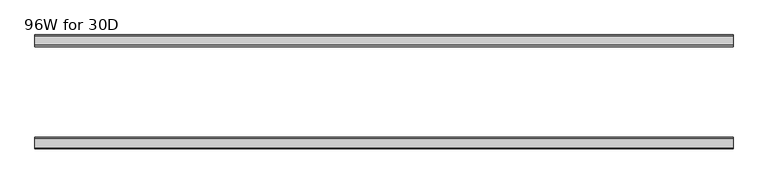
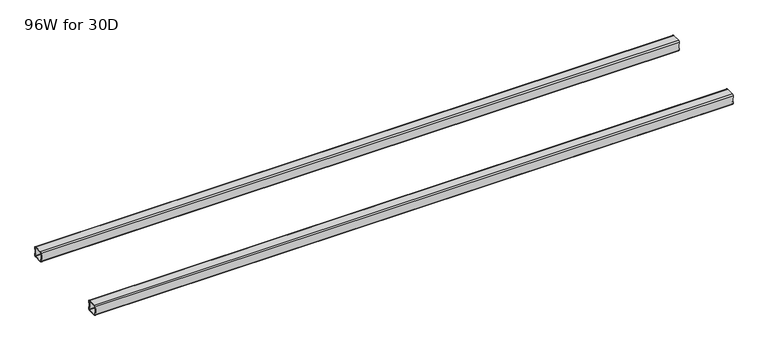
"""IFC4 building model written with IfcOpenShell, lengths in millimetres: furniture geometry, 96W for 30D."""

from ifc_helpers import new_model, si_unit, frame, origin, place, context, project, spatial, polyline, circle_curve, source, transform, mapped, element, save
from ifc_brep_helpers import plane_surface, cylinder_surface, revolved_surface, advanced_brep


def furniture_96w_for_30d_375db766(model_context):
    return source(origin(), model_context, "Body", "AdvancedBrep", [
        advanced_brep(
        [(2413.4028, -507.012, 653.351), (2413.4028, -509.012, 651.351), (2413.4028, -541.012, 651.351), (2413.4028, -543.012, 653.351), (2413.4028, -543.012, 660.851), (2413.4028, -545.012, 660.851), (2413.4028, -545.012, 653.351), (2413.4028, -541.012, 649.351), (2413.4028, -509.012, 649.351), (2413.4028, -505.012, 653.351), (2413.4028, -505.012, 660.851), (2413.4028, -507.012, 660.851), (2413.4028, -543.012, 684.975), (2413.4028, -541.012, 686.975), (2413.4028, -509.012, 686.975), (2413.4028, -507.012, 684.975), (2413.4028, -507.012, 677.475), (2413.4028, -505.012, 677.475), (2413.4028, -505.012, 684.975), (2413.4028, -509.012, 688.975), (2413.4028, -541.012, 688.975), (2413.4028, -545.012, 684.975), (2413.4028, -545.012, 677.475), (2413.4028, -543.012, 677.475), (22.0, -507.012, 684.975), (22.0, -509.012, 686.975), (22.0, -541.012, 686.975), (22.0, -543.012, 684.975), (22.0, -543.012, 677.475), (22.0, -545.012, 677.475), (22.0, -545.012, 684.975), (22.0, -541.012, 688.975), (22.0, -509.012, 688.975), (22.0, -505.012, 684.975), (22.0, -505.012, 677.475), (22.0, -507.012, 677.475), (22.0, -543.012, 653.351), (22.0, -541.012, 651.351), (22.0, -509.012, 651.351), (22.0, -507.012, 653.351), (22.0, -507.012, 660.851), (22.0, -505.012, 660.851), (22.0, -505.012, 653.351), (22.0, -509.012, 649.351), (22.0, -541.012, 649.351), (22.0, -545.012, 653.351), (22.0, -545.012, 660.851), (22.0, -543.012, 660.851), (23.365, -543.012, 660.851), (24.0, -543.012, 661.486), (24.0, -543.012, 676.84), (23.365, -543.012, 677.475), (2412.0378, -543.012, 677.475), (2411.4028, -543.012, 676.84), (2411.4028, -543.012, 661.486), (2412.0378, -543.012, 660.851), (2412.0378, -507.012, 660.851), (2411.4028, -507.012, 661.486), (2411.4028, -507.012, 676.84), (2412.0378, -507.012, 677.475), (23.365, -507.012, 677.475), (24.0, -507.012, 676.84), (24.0, -507.012, 661.486), (23.365, -507.012, 660.851), (23.365, -545.012, 677.475), (24.0, -545.012, 676.84), (24.0, -545.012, 661.486), (23.365, -545.012, 660.851), (2412.0378, -545.012, 660.851), (2411.4028, -545.012, 661.486), (2411.4028, -545.012, 676.84), (2412.0378, -545.012, 677.475), (2412.0378, -505.012, 677.475), (2411.4028, -505.012, 676.84), (2411.4028, -505.012, 661.486), (2412.0378, -505.012, 660.851), (23.365, -505.012, 660.851), (24.0, -505.012, 661.486), (24.0, -505.012, 676.84), (23.365, -505.012, 677.475)],
        [
            (0, 1, circle_curve(frame((2413.4028, -509.012, 653.351), z_axis=(-1.0, 0.0, 0.0), x_axis=(0.0, 1.0, 0.0)), 2.0)),
            (1, 2),
            (2, 3, circle_curve(frame((2413.4028, -541.012, 653.351), z_axis=(-1.0, 0.0, 0.0), x_axis=(0.0, 1.0, 0.0)), 2.0)),
            (3, 4),
            (4, 5),
            (5, 6),
            (6, 7, circle_curve(frame((2413.4028, -541.012, 653.351), z_axis=(1.0, 0.0, 0.0), x_axis=(0.0, 1.0, 0.0)), 4.0)),
            (7, 8),
            (8, 9, circle_curve(frame((2413.4028, -509.012, 653.351), z_axis=(1.0, 0.0, 0.0), x_axis=(0.0, 1.0, 0.0)), 4.0)),
            (9, 10),
            (10, 11),
            (11, 0),
            (12, 13, circle_curve(frame((2413.4028, -541.012, 684.975), z_axis=(-1.0, 0.0, 0.0), x_axis=(0.0, 1.0, 0.0)), 2.0)),
            (13, 14),
            (14, 15, circle_curve(frame((2413.4028, -509.012, 684.975), z_axis=(-1.0, 0.0, 0.0), x_axis=(0.0, 1.0, 0.0)), 2.0)),
            (15, 16),
            (16, 17),
            (17, 18),
            (18, 19, circle_curve(frame((2413.4028, -509.012, 684.975), z_axis=(1.0, 0.0, 0.0), x_axis=(0.0, 1.0, 0.0)), 4.0)),
            (19, 20),
            (20, 21, circle_curve(frame((2413.4028, -541.012, 684.975), z_axis=(1.0, 0.0, 0.0), x_axis=(0.0, 1.0, 0.0)), 4.0)),
            (21, 22),
            (22, 23),
            (23, 12),
            (24, 25, circle_curve(frame((22.0, -509.012, 684.975), z_axis=(1.0, 0.0, 0.0), x_axis=(0.0, 1.0, 0.0)), 2.0)),
            (25, 26),
            (26, 27, circle_curve(frame((22.0, -541.012, 684.975), z_axis=(1.0, 0.0, 0.0), x_axis=(0.0, 1.0, 0.0)), 2.0)),
            (27, 28),
            (28, 29),
            (29, 30),
            (30, 31, circle_curve(frame((22.0, -541.012, 684.975), z_axis=(-1.0, 0.0, 0.0), x_axis=(0.0, 1.0, 0.0)), 4.0)),
            (31, 32),
            (32, 33, circle_curve(frame((22.0, -509.012, 684.975), z_axis=(-1.0, 0.0, 0.0), x_axis=(0.0, 1.0, 0.0)), 4.0)),
            (33, 34),
            (34, 35),
            (35, 24),
            (36, 37, circle_curve(frame((22.0, -541.012, 653.351), z_axis=(1.0, 0.0, 0.0), x_axis=(0.0, 1.0, 0.0)), 2.0)),
            (37, 38),
            (38, 39, circle_curve(frame((22.0, -509.012, 653.351), z_axis=(1.0, 0.0, 0.0), x_axis=(0.0, 1.0, 0.0)), 2.0)),
            (39, 40),
            (40, 41),
            (41, 42),
            (42, 43, circle_curve(frame((22.0, -509.012, 653.351), z_axis=(-1.0, 0.0, 0.0), x_axis=(0.0, 1.0, 0.0)), 4.0)),
            (43, 44),
            (44, 45, circle_curve(frame((22.0, -541.012, 653.351), z_axis=(-1.0, 0.0, 0.0), x_axis=(0.0, 1.0, 0.0)), 4.0)),
            (45, 46),
            (46, 47),
            (47, 36),
            (0, 39),
            (38, 1),
            (37, 2),
            (36, 3),
            (47, 48),
            (48, 49, circle_curve(frame((23.365, -543.012, 661.486), z_axis=(0.0, -1.0, 0.0), x_axis=(1.0, 0.0, 0.0)), 0.635)),
            (49, 50),
            (50, 51, circle_curve(frame((23.365, -543.012, 676.84), z_axis=(0.0, -1.0, 0.0), x_axis=(1.0, 0.0, 0.0)), 0.635)),
            (51, 28),
            (27, 12),
            (23, 52),
            (52, 53, circle_curve(frame((2412.0378, -543.012, 676.84), z_axis=(0.0, -1.0, 0.0), x_axis=(1.0, 0.0, 0.0)), 0.635)),
            (53, 54),
            (54, 55, circle_curve(frame((2412.0378, -543.012, 661.486), z_axis=(0.0, -1.0, 0.0), x_axis=(1.0, 0.0, 0.0)), 0.635)),
            (55, 4),
            (26, 13),
            (25, 14),
            (24, 15),
            (11, 56),
            (56, 57, circle_curve(frame((2412.0378, -507.012, 661.486), z_axis=(0.0, 1.0, 0.0), x_axis=(1.0, 0.0, 0.0)), 0.635)),
            (57, 58),
            (58, 59, circle_curve(frame((2412.0378, -507.012, 676.84), z_axis=(0.0, 1.0, 0.0), x_axis=(1.0, 0.0, 0.0)), 0.635)),
            (59, 16),
            (35, 60),
            (60, 61, circle_curve(frame((23.365, -507.012, 676.84), z_axis=(0.0, 1.0, 0.0), x_axis=(1.0, 0.0, 0.0)), 0.635)),
            (61, 62),
            (62, 63, circle_curve(frame((23.365, -507.012, 661.486), z_axis=(0.0, 1.0, 0.0), x_axis=(1.0, 0.0, 0.0)), 0.635)),
            (63, 40),
            (18, 33),
            (32, 19),
            (31, 20),
            (30, 21),
            (29, 64),
            (64, 65, circle_curve(frame((23.365, -545.012, 676.84), z_axis=(0.0, 1.0, 0.0), x_axis=(1.0, 0.0, 0.0)), 0.635)),
            (65, 66),
            (66, 67, circle_curve(frame((23.365, -545.012, 661.486), z_axis=(0.0, 1.0, 0.0), x_axis=(1.0, 0.0, 0.0)), 0.635)),
            (67, 46),
            (45, 6),
            (5, 68),
            (68, 69, circle_curve(frame((2412.0378, -545.012, 661.486), z_axis=(0.0, 1.0, 0.0), x_axis=(1.0, 0.0, 0.0)), 0.635)),
            (69, 70),
            (70, 71, circle_curve(frame((2412.0378, -545.012, 676.84), z_axis=(0.0, 1.0, 0.0), x_axis=(1.0, 0.0, 0.0)), 0.635)),
            (71, 22),
            (44, 7),
            (43, 8),
            (42, 9),
            (17, 72),
            (72, 73, circle_curve(frame((2412.0378, -505.012, 676.84), z_axis=(0.0, -1.0, 0.0), x_axis=(1.0, 0.0, 0.0)), 0.635)),
            (73, 74),
            (74, 75, circle_curve(frame((2412.0378, -505.012, 661.486), z_axis=(0.0, -1.0, 0.0), x_axis=(1.0, 0.0, 0.0)), 0.635)),
            (75, 10),
            (41, 76),
            (76, 77, circle_curve(frame((23.365, -505.012, 661.486), z_axis=(0.0, -1.0, 0.0), x_axis=(1.0, 0.0, 0.0)), 0.635)),
            (77, 78),
            (78, 79, circle_curve(frame((23.365, -505.012, 676.84), z_axis=(0.0, -1.0, 0.0), x_axis=(1.0, 0.0, 0.0)), 0.635)),
            (79, 34),
            (71, 52),
            (59, 72),
            (70, 53),
            (58, 73),
            (69, 54),
            (57, 74),
            (68, 55),
            (56, 75),
            (51, 64),
            (79, 60),
            (67, 48),
            (63, 76),
            (66, 49),
            (62, 77),
            (65, 50),
            (61, 78),
        ],
        [
            plane_surface(frame((2413.4028, -507.012, 653.351), z_axis=(1.0, 0.0, 0.0), x_axis=(0.0, 0.0, -1.0))),
            plane_surface(frame((22.0, -507.012, 653.351), z_axis=(-1.0, 0.0, 0.0), x_axis=(0.0, 0.0, 1.0))),
            revolved_surface(polyline([(22.0, -507.012, 653.351), (2413.4028, -507.012, 653.351)]), (22.0, -509.012, 653.351), (-1.0, 0.0, 0.0)),
            plane_surface(frame((2413.4028, -509.012, 651.351), z_axis=(0.0, -5.198608210600595e-12, 1.0), x_axis=(-1.0, 0.0, 0.0))),
            revolved_surface(polyline([(22.0, -539.012, 653.351), (2413.4028, -539.012, 653.351)]), (22.0, -541.012, 653.351), (-1.0, 0.0, 0.0)),
            plane_surface(frame((2413.4028, -543.012, 653.351), z_axis=(0.0, 1.0, 0.0), x_axis=(-1.0, 0.0, 0.0))),
            revolved_surface(polyline([(22.0, -539.012, 684.975), (2413.4028, -539.012, 684.975)]), (22.0, -541.012, 684.975), (-1.0, 0.0, 0.0)),
            plane_surface(frame((2413.4028, -541.012, 686.975), z_axis=(0.0, 0.0, -1.0), x_axis=(-1.0, 0.0, 0.0))),
            revolved_surface(polyline([(22.0, -507.012, 684.975), (2413.4028, -507.012, 684.975)]), (22.0, -509.012, 684.975), (-1.0, 0.0, 0.0)),
            plane_surface(frame((2413.4028, -507.012, 684.975), z_axis=(0.0, -1.0, 0.0), x_axis=(-1.0, 0.0, 0.0))),
            cylinder_surface(frame((0.0, -509.012, 684.975), z_axis=(1.0, 0.0, 0.0), x_axis=(0.0, 1.0, 0.0)), 4.0),
            plane_surface(frame((2413.4028, -509.012, 688.975), z_axis=(0.0, 0.0, 1.0), x_axis=(-1.0, 0.0, 0.0))),
            cylinder_surface(frame((0.0, -541.012, 684.975), z_axis=(1.0, 0.0, 0.0), x_axis=(0.0, 1.0, 0.0)), 4.0),
            plane_surface(frame((2413.4028, -545.012, 684.975), z_axis=(0.0, -1.0, 0.0), x_axis=(-1.0, 0.0, 0.0))),
            cylinder_surface(frame((0.0, -541.012, 653.351), z_axis=(1.0, 0.0, 0.0), x_axis=(0.0, 1.0, 0.0)), 4.0),
            plane_surface(frame((2413.4028, -541.012, 649.351), z_axis=(0.0, 0.0, -1.0), x_axis=(-1.0, 0.0, 0.0))),
            cylinder_surface(frame((0.0, -509.012, 653.351), z_axis=(1.0, 0.0, 0.0), x_axis=(0.0, 1.0, 0.0)), 4.0),
            plane_surface(frame((2413.4028, -505.012, 653.351), z_axis=(0.0, 1.0, -5.2518576384018155e-12), x_axis=(-1.0, 0.0, 0.0))),
            plane_surface(frame((2413.4028, -545.012, 677.475), z_axis=(1.130465684452016e-11, 0.0, -1.0), x_axis=(0.0, 1.0, 0.0))),
            revolved_surface(polyline([(2412.6728000000003, -545.012, 676.84), (2412.6728000000003, -543.012, 676.84)]), (2412.0378, -505.012, 676.84), (0.0, -1.0, 0.0)),
            revolved_surface(polyline([(2412.6728000000003, -507.012, 676.84), (2412.6728000000003, -505.012, 676.84)]), (2412.0378, -505.012, 676.84), (0.0, -1.0, 0.0)),
            plane_surface(frame((2411.4028, -545.012, 676.84), z_axis=(1.0, 0.0, 0.0), x_axis=(0.0, 1.0, 0.0))),
            revolved_surface(polyline([(2412.6728000000003, -545.012, 661.486), (2412.6728000000003, -543.012, 661.486)]), (2412.0378, -505.012, 661.486), (0.0, -1.0, 0.0)),
            revolved_surface(polyline([(2412.6728000000003, -507.012, 661.486), (2412.6728000000003, -505.012, 661.486)]), (2412.0378, -505.012, 661.486), (0.0, -1.0, 0.0)),
            plane_surface(frame((2412.0378, -545.012, 660.851), z_axis=(0.0, 0.0, 1.0), x_axis=(0.0, 1.0, 0.0))),
            plane_surface(frame((23.365, -545.012, 677.475), z_axis=(0.0, 0.0, -1.0), x_axis=(0.0, 1.0, 0.0))),
            plane_surface(frame((22.0, -545.012, 660.851), z_axis=(-1.1502984157403295e-11, 0.0, 1.0), x_axis=(0.0, 1.0, 0.0))),
            revolved_surface(polyline([(24.0, -545.012, 661.486), (24.0, -543.012, 661.486)]), (23.365, -505.012, 661.486), (0.0, -1.0, 0.0)),
            revolved_surface(polyline([(24.0, -507.012, 661.486), (24.0, -505.012, 661.486)]), (23.365, -505.012, 661.486), (0.0, -1.0, 0.0)),
            plane_surface(frame((24.0, -545.012, 661.486), z_axis=(-1.0, 0.0, 0.0), x_axis=(0.0, 1.0, 0.0))),
            revolved_surface(polyline([(24.0, -545.012, 676.84), (24.0, -543.012, 676.84)]), (23.365, -505.012, 676.84), (0.0, -1.0, 0.0)),
            revolved_surface(polyline([(24.0, -507.012, 676.84), (24.0, -505.012, 676.84)]), (23.365, -505.012, 676.84), (0.0, -1.0, 0.0)),
        ],
        [
            (0, [[1, 2, 3, 4, 5, 6, 7, 8, 9, 10, 11, 12]]),
            (0, [[13, 14, 15, 16, 17, 18, 19, 20, 21, 22, 23, 24]]),
            (1, [[25, 26, 27, 28, 29, 30, 31, 32, 33, 34, 35, 36]]),
            (1, [[37, 38, 39, 40, 41, 42, 43, 44, 45, 46, 47, 48]]),
            (2, [[-1, 49, -39, 50]]),
            (3, [[-2, -50, -38, 51]]),
            (4, [[-3, -51, -37, 52]]),
            (5, [[-52, -48, 53, 54, 55, 56, 57, -28, 58, -24, 59, 60, 61, 62, 63, -4]]),
            (6, [[-13, -58, -27, 64]]),
            (7, [[-14, -64, -26, 65]]),
            (8, [[-15, -65, -25, 66]]),
            (9, [[-49, -12, 67, 68, 69, 70, 71, -16, -66, -36, 72, 73, 74, 75, 76, -40]]),
            (10, [[-19, 77, -33, 78]]),
            (11, [[-20, -78, -32, 79]]),
            (12, [[-21, -79, -31, 80]]),
            (13, [[-80, -30, 81, 82, 83, 84, 85, -46, 86, -6, 87, 88, 89, 90, 91, -22]]),
            (14, [[-7, -86, -45, 92]]),
            (15, [[-8, -92, -44, 93]]),
            (16, [[-9, -93, -43, 94]]),
            (17, [[-77, -18, 95, 96, 97, 98, 99, -10, -94, -42, 100, 101, 102, 103, 104, -34]]),
            (18, [[105, -59, -23, -91]]),
            (18, [[106, -95, -17, -71]]),
            (19, [[-105, -90, 107, -60]]),
            (20, [[-106, -70, 108, -96]]),
            (21, [[-107, -89, 109, -61]]),
            (21, [[-108, -69, 110, -97]]),
            (22, [[-109, -88, 111, -62]]),
            (23, [[-110, -68, 112, -98]]),
            (24, [[-111, -87, -5, -63]]),
            (24, [[-112, -67, -11, -99]]),
            (25, [[113, -81, -29, -57]]),
            (25, [[114, -72, -35, -104]]),
            (26, [[115, -53, -47, -85]]),
            (26, [[116, -100, -41, -76]]),
            (27, [[-115, -84, 117, -54]]),
            (28, [[-116, -75, 118, -101]]),
            (29, [[-117, -83, 119, -55]]),
            (29, [[-118, -74, 120, -102]]),
            (30, [[-113, -56, -119, -82]]),
            (31, [[-114, -103, -120, -73]]),
        ],
    ),
        advanced_brep(
        [(2413.4028, -192.9996202, 684.975), (2413.4028, -190.9996202, 686.975), (2413.4028, -159.0003798, 686.975), (2413.4028, -157.0003798, 684.975), (2413.4028, -157.0003798, 677.475), (2413.4028, -155.0003798, 677.475), (2413.4028, -155.0003798, 684.975), (2413.4028, -159.0003798, 688.975), (2413.4028, -190.9996202, 688.975), (2413.4028, -194.9996202, 684.975), (2413.4028, -194.9996202, 677.475), (2413.4028, -192.9996202, 677.475), (2413.4028, -157.0003798, 653.351), (2413.4028, -159.0003798, 651.351), (2413.4028, -190.9996202, 651.351), (2413.4028, -192.9996202, 653.351), (2413.4028, -192.9996202, 660.851), (2413.4028, -194.9996202, 660.851), (2413.4028, -194.9996202, 653.351), (2413.4028, -190.9996202, 649.351), (2413.4028, -159.0003798, 649.351), (2413.4028, -155.0003798, 653.351), (2413.4028, -155.0003798, 660.851), (2413.4028, -157.0003798, 660.851), (22.0, -192.9996202, 653.351), (22.0, -190.9996202, 651.351), (22.0, -159.0003798, 651.351), (22.0, -157.0003798, 653.351), (22.0, -157.0003798, 660.851), (22.0, -155.0003798, 660.851), (22.0, -155.0003798, 653.351), (22.0, -159.0003798, 649.351), (22.0, -190.9996202, 649.351), (22.0, -194.9996202, 653.351), (22.0, -194.9996202, 660.851), (22.0, -192.9996202, 660.851), (22.0, -157.0003798, 684.975), (22.0, -159.0003798, 686.975), (22.0, -190.9996202, 686.975), (22.0, -192.9996202, 684.975), (22.0, -192.9996202, 677.475), (22.0, -194.9996202, 677.475), (22.0, -194.9996202, 684.975), (22.0, -190.9996202, 688.975), (22.0, -159.0003798, 688.975), (22.0, -155.0003798, 684.975), (22.0, -155.0003798, 677.475), (22.0, -157.0003798, 677.475), (2412.0378, -157.0003798, 660.851), (2411.4028, -157.0003798, 661.486), (2411.4028, -157.0003798, 676.84), (2412.0378, -157.0003798, 677.475), (23.365, -157.0003798, 677.475), (24.0, -157.0003798, 676.84), (24.0, -157.0003798, 661.486), (23.365, -157.0003798, 660.851), (23.365, -192.9996202, 660.851), (24.0, -192.9996202, 661.486), (24.0, -192.9996202, 676.84), (23.365, -192.9996202, 677.475), (2412.0378, -192.9996202, 677.475), (2411.4028, -192.9996202, 676.84), (2411.4028, -192.9996202, 661.486), (2412.0378, -192.9996202, 660.851), (2412.0378, -155.0003798, 677.475), (2411.4028, -155.0003798, 676.84), (2411.4028, -155.0003798, 661.486), (2412.0378, -155.0003798, 660.851), (23.365, -155.0003798, 660.851), (24.0, -155.0003798, 661.486), (24.0, -155.0003798, 676.84), (23.365, -155.0003798, 677.475), (23.365, -194.9996202, 677.475), (24.0, -194.9996202, 676.84), (24.0, -194.9996202, 661.486), (23.365, -194.9996202, 660.851), (2412.0378, -194.9996202, 660.851), (2411.4028, -194.9996202, 661.486), (2411.4028, -194.9996202, 676.84), (2412.0378, -194.9996202, 677.475)],
        [
            (0, 1, circle_curve(frame((2413.4028, -190.9996202, 684.975), z_axis=(-1.0, 0.0, 0.0), x_axis=(0.0, -1.0, 0.0)), 2.0)),
            (1, 2),
            (2, 3, circle_curve(frame((2413.4028, -159.0003798, 684.975), z_axis=(-1.0, 0.0, 0.0), x_axis=(0.0, -1.0, 0.0)), 2.0)),
            (3, 4),
            (4, 5),
            (5, 6),
            (6, 7, circle_curve(frame((2413.4028, -159.0003798, 684.975), z_axis=(1.0, 0.0, 0.0), x_axis=(0.0, -1.0, 0.0)), 4.0)),
            (7, 8),
            (8, 9, circle_curve(frame((2413.4028, -190.9996202, 684.975), z_axis=(1.0, 0.0, 0.0), x_axis=(0.0, -1.0, 0.0)), 4.0)),
            (9, 10),
            (10, 11),
            (11, 0),
            (12, 13, circle_curve(frame((2413.4028, -159.0003798, 653.351), z_axis=(-1.0, 0.0, 0.0), x_axis=(0.0, -1.0, 0.0)), 2.0)),
            (13, 14),
            (14, 15, circle_curve(frame((2413.4028, -190.9996202, 653.351), z_axis=(-1.0, 0.0, 0.0), x_axis=(0.0, -1.0, 0.0)), 2.0)),
            (15, 16),
            (16, 17),
            (17, 18),
            (18, 19, circle_curve(frame((2413.4028, -190.9996202, 653.351), z_axis=(1.0, 0.0, 0.0), x_axis=(0.0, -1.0, 0.0)), 4.0)),
            (19, 20),
            (20, 21, circle_curve(frame((2413.4028, -159.0003798, 653.351), z_axis=(1.0, 0.0, 0.0), x_axis=(0.0, -1.0, 0.0)), 4.0)),
            (21, 22),
            (22, 23),
            (23, 12),
            (24, 25, circle_curve(frame((22.0, -190.9996202, 653.351), z_axis=(1.0, 0.0, 0.0), x_axis=(0.0, -1.0, 0.0)), 2.0)),
            (25, 26),
            (26, 27, circle_curve(frame((22.0, -159.0003798, 653.351), z_axis=(1.0, 0.0, 0.0), x_axis=(0.0, -1.0, 0.0)), 2.0)),
            (27, 28),
            (28, 29),
            (29, 30),
            (30, 31, circle_curve(frame((22.0, -159.0003798, 653.351), z_axis=(-1.0, 0.0, 0.0), x_axis=(0.0, -1.0, 0.0)), 4.0)),
            (31, 32),
            (32, 33, circle_curve(frame((22.0, -190.9996202, 653.351), z_axis=(-1.0, 0.0, 0.0), x_axis=(0.0, -1.0, 0.0)), 4.0)),
            (33, 34),
            (34, 35),
            (35, 24),
            (36, 37, circle_curve(frame((22.0, -159.0003798, 684.975), z_axis=(1.0, 0.0, 0.0), x_axis=(0.0, -1.0, 0.0)), 2.0)),
            (37, 38),
            (38, 39, circle_curve(frame((22.0, -190.9996202, 684.975), z_axis=(1.0, 0.0, 0.0), x_axis=(0.0, -1.0, 0.0)), 2.0)),
            (39, 40),
            (40, 41),
            (41, 42),
            (42, 43, circle_curve(frame((22.0, -190.9996202, 684.975), z_axis=(-1.0, 0.0, 0.0), x_axis=(0.0, -1.0, 0.0)), 4.0)),
            (43, 44),
            (44, 45, circle_curve(frame((22.0, -159.0003798, 684.975), z_axis=(-1.0, 0.0, 0.0), x_axis=(0.0, -1.0, 0.0)), 4.0)),
            (45, 46),
            (46, 47),
            (47, 36),
            (14, 25),
            (24, 15),
            (13, 26),
            (12, 27),
            (23, 48),
            (48, 49, circle_curve(frame((2412.0378, -157.0003798, 661.486), z_axis=(0.0, 1.0, 0.0), x_axis=(1.0, 0.0, 0.0)), 0.635)),
            (49, 50),
            (50, 51, circle_curve(frame((2412.0378, -157.0003798, 676.84), z_axis=(0.0, 1.0, 0.0), x_axis=(1.0, 0.0, 0.0)), 0.635)),
            (51, 4),
            (3, 36),
            (47, 52),
            (52, 53, circle_curve(frame((23.365, -157.0003798, 676.84), z_axis=(0.0, 1.0, 0.0), x_axis=(1.0, 0.0, 0.0)), 0.635)),
            (53, 54),
            (54, 55, circle_curve(frame((23.365, -157.0003798, 661.486), z_axis=(0.0, 1.0, 0.0), x_axis=(1.0, 0.0, 0.0)), 0.635)),
            (55, 28),
            (2, 37),
            (1, 38),
            (0, 39),
            (35, 56),
            (56, 57, circle_curve(frame((23.365, -192.9996202, 661.486), z_axis=(0.0, -1.0, 0.0), x_axis=(1.0, 0.0, 0.0)), 0.635)),
            (57, 58),
            (58, 59, circle_curve(frame((23.365, -192.9996202, 676.84), z_axis=(0.0, -1.0, 0.0), x_axis=(1.0, 0.0, 0.0)), 0.635)),
            (59, 40),
            (11, 60),
            (60, 61, circle_curve(frame((2412.0378, -192.9996202, 676.84), z_axis=(0.0, -1.0, 0.0), x_axis=(1.0, 0.0, 0.0)), 0.635)),
            (61, 62),
            (62, 63, circle_curve(frame((2412.0378, -192.9996202, 661.486), z_axis=(0.0, -1.0, 0.0), x_axis=(1.0, 0.0, 0.0)), 0.635)),
            (63, 16),
            (8, 43),
            (42, 9),
            (7, 44),
            (6, 45),
            (5, 64),
            (64, 65, circle_curve(frame((2412.0378, -155.0003798, 676.84), z_axis=(0.0, -1.0, 0.0), x_axis=(1.0, 0.0, 0.0)), 0.635)),
            (65, 66),
            (66, 67, circle_curve(frame((2412.0378, -155.0003798, 661.486), z_axis=(0.0, -1.0, 0.0), x_axis=(1.0, 0.0, 0.0)), 0.635)),
            (67, 22),
            (21, 30),
            (29, 68),
            (68, 69, circle_curve(frame((23.365, -155.0003798, 661.486), z_axis=(0.0, -1.0, 0.0), x_axis=(1.0, 0.0, 0.0)), 0.635)),
            (69, 70),
            (70, 71, circle_curve(frame((23.365, -155.0003798, 676.84), z_axis=(0.0, -1.0, 0.0), x_axis=(1.0, 0.0, 0.0)), 0.635)),
            (71, 46),
            (20, 31),
            (19, 32),
            (18, 33),
            (41, 72),
            (72, 73, circle_curve(frame((23.365, -194.9996202, 676.84), z_axis=(0.0, 1.0, 0.0), x_axis=(1.0, 0.0, 0.0)), 0.635)),
            (73, 74),
            (74, 75, circle_curve(frame((23.365, -194.9996202, 661.486), z_axis=(0.0, 1.0, 0.0), x_axis=(1.0, 0.0, 0.0)), 0.635)),
            (75, 34),
            (17, 76),
            (76, 77, circle_curve(frame((2412.0378, -194.9996202, 661.486), z_axis=(0.0, 1.0, 0.0), x_axis=(1.0, 0.0, 0.0)), 0.635)),
            (77, 78),
            (78, 79, circle_curve(frame((2412.0378, -194.9996202, 676.84), z_axis=(0.0, 1.0, 0.0), x_axis=(1.0, 0.0, 0.0)), 0.635)),
            (79, 10),
            (51, 64),
            (79, 60),
            (50, 65),
            (78, 61),
            (49, 66),
            (77, 62),
            (48, 67),
            (76, 63),
            (71, 52),
            (59, 72),
            (55, 68),
            (75, 56),
            (54, 69),
            (74, 57),
            (53, 70),
            (73, 58),
        ],
        [
            plane_surface(frame((2413.4028, -192.9996202, 684.975), z_axis=(1.0, 0.0, 0.0), x_axis=(0.0, 0.0, 1.0))),
            plane_surface(frame((22.0, -192.9996202, 684.975), z_axis=(-1.0, 0.0, 0.0), x_axis=(0.0, 0.0, -1.0))),
            revolved_surface(polyline([(22.0, -192.9996202, 653.351), (2413.4028, -192.9996202, 653.351)]), (22.0, -190.9996202, 653.351), (-1.0, 0.0, 0.0)),
            plane_surface(frame((2413.4028, -159.0003798, 651.351), z_axis=(0.0, 0.0, 1.0), x_axis=(-1.0, 0.0, 0.0))),
            revolved_surface(polyline([(22.0, -161.0003798, 653.351), (2413.4028, -161.0003798, 653.351)]), (22.0, -159.0003798, 653.351), (-1.0, 0.0, 0.0)),
            plane_surface(frame((2413.4028, -157.0003798, 684.975), z_axis=(0.0, -1.0, 0.0), x_axis=(-1.0, 0.0, 0.0))),
            revolved_surface(polyline([(22.0, -161.0003798, 684.975), (2413.4028, -161.0003798, 684.975)]), (22.0, -159.0003798, 684.975), (-1.0, 0.0, 0.0)),
            plane_surface(frame((2413.4028, -190.9996202, 686.975), z_axis=(0.0, 0.0, -1.0), x_axis=(-1.0, 0.0, 0.0))),
            revolved_surface(polyline([(22.0, -192.9996202, 684.975), (2413.4028, -192.9996202, 684.975)]), (22.0, -190.9996202, 684.975), (-1.0, 0.0, 0.0)),
            plane_surface(frame((2413.4028, -192.9996202, 653.351), z_axis=(0.0, 1.0, 0.0), x_axis=(-1.0, 0.0, 0.0))),
            cylinder_surface(frame((0.0, -190.9996202, 684.975), z_axis=(1.0, 0.0, 0.0), x_axis=(0.0, -1.0, 0.0)), 4.0),
            plane_surface(frame((2413.4028, -159.0003798, 688.975), z_axis=(0.0, 0.0, 1.0), x_axis=(-1.0, 0.0, 0.0))),
            cylinder_surface(frame((0.0, -159.0003798, 684.975), z_axis=(1.0, 0.0, 0.0), x_axis=(0.0, -1.0, 0.0)), 4.0),
            plane_surface(frame((2413.4028, -155.0003798, 653.351), z_axis=(0.0, 1.0, 0.0), x_axis=(-1.0, 0.0, 0.0))),
            cylinder_surface(frame((0.0, -159.0003798, 653.351), z_axis=(1.0, 0.0, 0.0), x_axis=(0.0, -1.0, 0.0)), 4.0),
            plane_surface(frame((2413.4028, -190.9996202, 649.351), z_axis=(0.0, 0.0, -1.0), x_axis=(-1.0, 0.0, 0.0))),
            cylinder_surface(frame((0.0, -190.9996202, 653.351), z_axis=(1.0, 0.0, 0.0), x_axis=(0.0, -1.0, 0.0)), 4.0),
            plane_surface(frame((2413.4028, -194.9996202, 684.975), z_axis=(0.0, -1.0, 0.0), x_axis=(-1.0, 0.0, 0.0))),
            plane_surface(frame((2412.0378, -155.0003798, 677.475), z_axis=(-8.468576266924131e-11, 0.0, -1.0), x_axis=(0.0, -1.0, 0.0))),
            revolved_surface(polyline([(2412.6728000000003, -155.0003798, 676.84), (2412.6728000000003, -157.0003798, 676.84)]), (2412.0378, -194.9996202, 676.84), (0.0, 1.0, 0.0)),
            revolved_surface(polyline([(2412.6728000000003, -192.9996202, 676.84), (2412.6728000000003, -194.9996202, 676.84)]), (2412.0378, -194.9996202, 676.84), (0.0, 1.0, 0.0)),
            plane_surface(frame((2411.4028, -155.0003798, 661.486), z_axis=(1.0, 0.0, 6.100560549954068e-12), x_axis=(0.0, -1.0, 0.0))),
            revolved_surface(polyline([(2412.6728000000003, -155.0003798, 661.486), (2412.6728000000003, -157.0003798, 661.486)]), (2412.0378, -194.9996202, 661.486), (0.0, 1.0, 0.0)),
            revolved_surface(polyline([(2412.6728000000003, -192.9996202, 661.486), (2412.6728000000003, -194.9996202, 661.486)]), (2412.0378, -194.9996202, 661.486), (0.0, 1.0, 0.0)),
            plane_surface(frame((2413.4028, -155.0003798, 660.851), z_axis=(0.0, 0.0, 1.0), x_axis=(0.0, -1.0, 0.0))),
            plane_surface(frame((22.0, -155.0003798, 677.475), z_axis=(0.0, 0.0, -1.0), x_axis=(0.0, -1.0, 0.0))),
            plane_surface(frame((23.365, -155.0003798, 660.851), z_axis=(-2.8559133082148777e-11, 0.0, 1.0), x_axis=(0.0, -1.0, 0.0))),
            revolved_surface(polyline([(24.0, -155.0003798, 661.486), (24.0, -157.0003798, 661.486)]), (23.365, -194.9996202, 661.486), (0.0, 1.0, 0.0)),
            revolved_surface(polyline([(24.0, -192.9996202, 661.486), (24.0, -194.9996202, 661.486)]), (23.365, -194.9996202, 661.486), (0.0, 1.0, 0.0)),
            plane_surface(frame((24.0, -155.0003798, 676.84), z_axis=(-1.0, 0.0, 3.414484621396347e-12), x_axis=(0.0, -1.0, 0.0))),
            revolved_surface(polyline([(24.0, -155.0003798, 676.84), (24.0, -157.0003798, 676.84)]), (23.365, -194.9996202, 676.84), (0.0, 1.0, 0.0)),
            revolved_surface(polyline([(24.0, -192.9996202, 676.84), (24.0, -194.9996202, 676.84)]), (23.365, -194.9996202, 676.84), (0.0, 1.0, 0.0)),
        ],
        [
            (0, [[1, 2, 3, 4, 5, 6, 7, 8, 9, 10, 11, 12]]),
            (0, [[13, 14, 15, 16, 17, 18, 19, 20, 21, 22, 23, 24]]),
            (1, [[25, 26, 27, 28, 29, 30, 31, 32, 33, 34, 35, 36]]),
            (1, [[37, 38, 39, 40, 41, 42, 43, 44, 45, 46, 47, 48]]),
            (2, [[-15, 49, -25, 50]]),
            (3, [[-14, 51, -26, -49]]),
            (4, [[-13, 52, -27, -51]]),
            (5, [[-52, -24, 53, 54, 55, 56, 57, -4, 58, -48, 59, 60, 61, 62, 63, -28]]),
            (6, [[-3, 64, -37, -58]]),
            (7, [[-2, 65, -38, -64]]),
            (8, [[-1, 66, -39, -65]]),
            (9, [[-50, -36, 67, 68, 69, 70, 71, -40, -66, -12, 72, 73, 74, 75, 76, -16]]),
            (10, [[-9, 77, -43, 78]]),
            (11, [[-8, 79, -44, -77]]),
            (12, [[-7, 80, -45, -79]]),
            (13, [[-80, -6, 81, 82, 83, 84, 85, -22, 86, -30, 87, 88, 89, 90, 91, -46]]),
            (14, [[-21, 92, -31, -86]]),
            (15, [[-20, 93, -32, -92]]),
            (16, [[-19, 94, -33, -93]]),
            (17, [[-78, -42, 95, 96, 97, 98, 99, -34, -94, -18, 100, 101, 102, 103, 104, -10]]),
            (18, [[105, -81, -5, -57]]),
            (18, [[106, -72, -11, -104]]),
            (19, [[-105, -56, 107, -82]]),
            (20, [[-106, -103, 108, -73]]),
            (21, [[-107, -55, 109, -83]]),
            (21, [[-108, -102, 110, -74]]),
            (22, [[-109, -54, 111, -84]]),
            (23, [[-110, -101, 112, -75]]),
            (24, [[-111, -53, -23, -85]]),
            (24, [[-112, -100, -17, -76]]),
            (25, [[113, -59, -47, -91]]),
            (25, [[114, -95, -41, -71]]),
            (26, [[115, -87, -29, -63]]),
            (26, [[116, -67, -35, -99]]),
            (27, [[-115, -62, 117, -88]]),
            (28, [[-116, -98, 118, -68]]),
            (29, [[-117, -61, 119, -89]]),
            (29, [[-118, -97, 120, -69]]),
            (30, [[-119, -60, -113, -90]]),
            (31, [[-120, -96, -114, -70]]),
        ],
    ),
    ])


if __name__ == "__main__":
    model = new_model("IFC4")
    model_context = context("Model", 3, world=origin())
    ifc_project = project(units=[si_unit("LENGTHUNIT", "METRE", prefix="MILLI")], contexts=[model_context])
    site = spatial("IfcSite", under=ifc_project)
    building = spatial("IfcBuilding", under=site)
    placement = place(None, origin())
    furniture_96w_for_30d_shape = furniture_96w_for_30d_375db766(model_context)
    element("IfcFurniture", 1, ObjectType="96W for 30D", at=placement, inside=building, context=model_context, shape_type="MappedRepresentation", body=[
        mapped(furniture_96w_for_30d_shape, transform((0.0, 0.0, 0.0), x_axis=(1.0, 0.0, 0.0), y_axis=(0.0, 1.0, 0.0), z_axis=(0.0, 0.0, 1.0))),
    ])
    save(model, "model.ifc")
